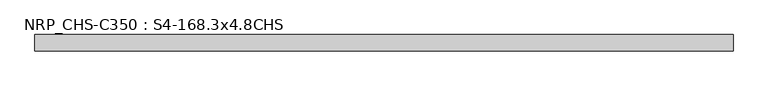
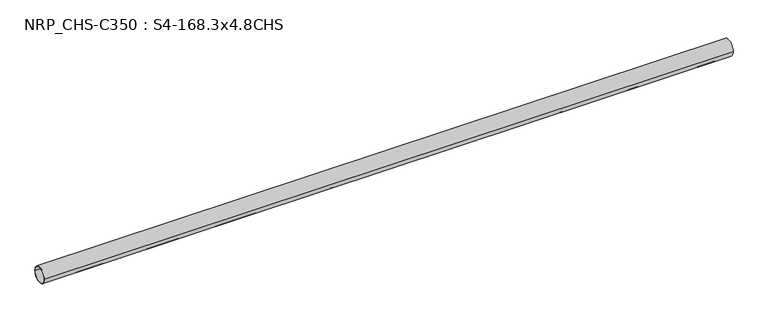
"""IFC4 building model written with IfcOpenShell, lengths in millimetres: beam geometry, NRP_CHS-C350 : S4-168.3x4.8CHS."""

from ifc_helpers import new_model, si_unit, point, frame, origin, origin_2d, place, context, project, spatial, circle_curve, trimmed, segment, composite_curve, outline, extrude, source, transform, mapped, element, save


def nrp_chs_c350_s4_168_3x4_8chs_a4dcf366(model_context):
    return source(origin(), model_context, "Body", "SweptSolid", [
        extrude(outline(composite_curve([segment(trimmed(circle_curve(origin_2d(), 84.15), [point((84.15, 0.0))], [point((-84.15, 0.0))], False, "CARTESIAN"), True, "CONTINUOUS"), segment(trimmed(circle_curve(origin_2d(), 84.15), [point((-84.15, 0.0))], [point((84.15, 0.0))], False, "CARTESIAN"), True, "CONTINUOUS")], self_intersect=False), holes=[composite_curve([segment(trimmed(circle_curve(origin_2d(), 79.35), [point((-79.35, 0.0))], [point((79.35, 0.0))], True, "CARTESIAN"), True, "CONTINUOUS"), segment(trimmed(circle_curve(origin_2d(), 79.35), [point((79.35, 0.0))], [point((-79.35, 0.0))], True, "CARTESIAN"), True, "CONTINUOUS")], self_intersect=False)]), frame((-3604.3, 0.0, 0.0), z_axis=(1.0, 0.0, 0.0), x_axis=(0.0, 1.0, 0.0)), (0.0, 0.0, 1.0), 7179.5),
    ])


if __name__ == "__main__":
    model = new_model("IFC4")
    model_context = context("Model", 3, world=origin())
    ifc_project = project(units=[si_unit("LENGTHUNIT", "METRE", prefix="MILLI")], contexts=[model_context])
    site = spatial("IfcSite", under=ifc_project)
    building = spatial("IfcBuilding", under=site)
    placement = place(None, origin())
    nrp_chs_c350_s4_168_3x4_8chs_shape = nrp_chs_c350_s4_168_3x4_8chs_a4dcf366(model_context)
    element("IfcBeam", 1, ObjectType="NRP_CHS-C350 : S4-168.3x4.8CHS", at=placement, inside=building, context=model_context, shape_type="MappedRepresentation", body=[
        mapped(nrp_chs_c350_s4_168_3x4_8chs_shape, transform((0.0, 0.0, 0.0), x_axis=(1.0, 0.0, 0.0), y_axis=(0.0, 1.0, 0.0), z_axis=(0.0, 0.0, 1.0))),
    ])
    save(model, "model.ifc")
